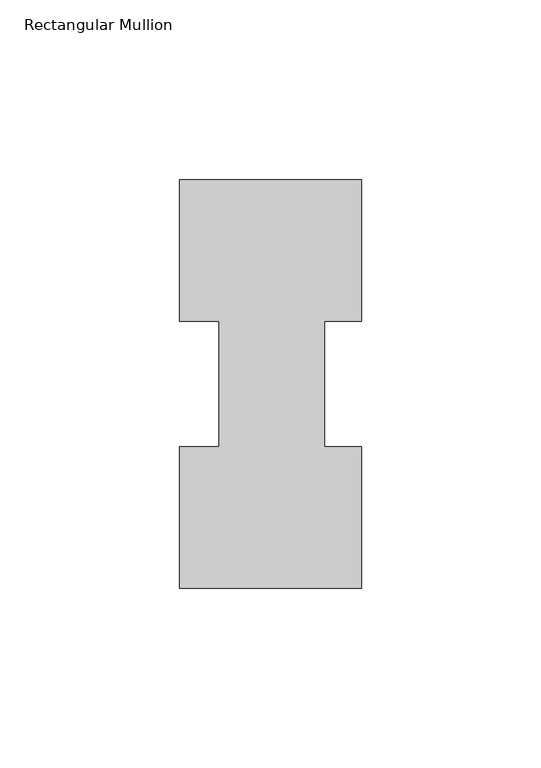
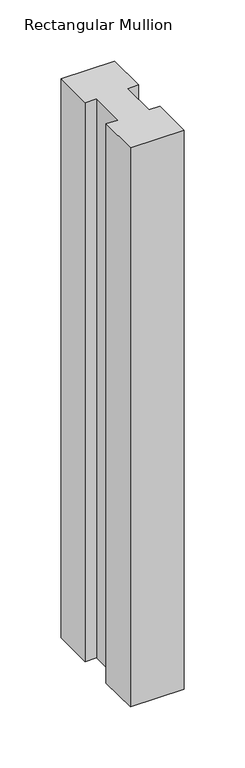
"""IFC4 building model written with IfcOpenShell, lengths in millimetres: member geometry, Rectangular Mullion."""

from ifc_helpers import new_model, si_unit, frame, origin, place, context, project, spatial, polyline, outline, extrude, source, transform, mapped, element, save


def rectangular_mullion_d3bde2c8(model_context):
    return source(origin(), model_context, "Body", "SweptSolid", [
        extrude(outline(polyline([(-50.8, 114.017425), (0.0, 114.017425), (0.0, 74.596625), (-10.3124, 74.596625), (-10.3124, 39.646225), (0.0, 39.646225), (0.0, 0.225425), (-50.8, 0.225425), (-50.8, 39.646225), (-39.6875, 39.646225), (-39.6875, 74.596625), (-50.8, 74.596625), (-50.8, 114.017425)])), frame((0.0, 0.0, -558.8), z_axis=(0.0, 0.0, 1.0), x_axis=(1.0, 0.0, 0.0)), (0.0, 0.0, 1.0), 558.8),
    ])


if __name__ == "__main__":
    model = new_model("IFC4")
    model_context = context("Model", 3, world=origin())
    ifc_project = project(units=[si_unit("LENGTHUNIT", "METRE", prefix="MILLI")], contexts=[model_context])
    site = spatial("IfcSite", under=ifc_project)
    building = spatial("IfcBuilding", under=site)
    placement = place(None, origin())
    rectangular_mullion_shape = rectangular_mullion_d3bde2c8(model_context)
    element("IfcMember", 1, ObjectType="Rectangular Mullion", at=placement, inside=building, context=model_context, shape_type="MappedRepresentation", body=[
        mapped(rectangular_mullion_shape, transform((0.0, 0.0, 0.0), x_axis=(1.0, 0.0, 0.0), y_axis=(0.0, 1.0, 0.0), z_axis=(0.0, 0.0, 1.0))),
    ])
    save(model, "model.ifc")
